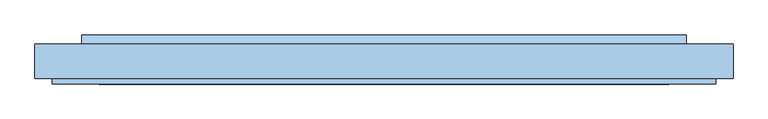
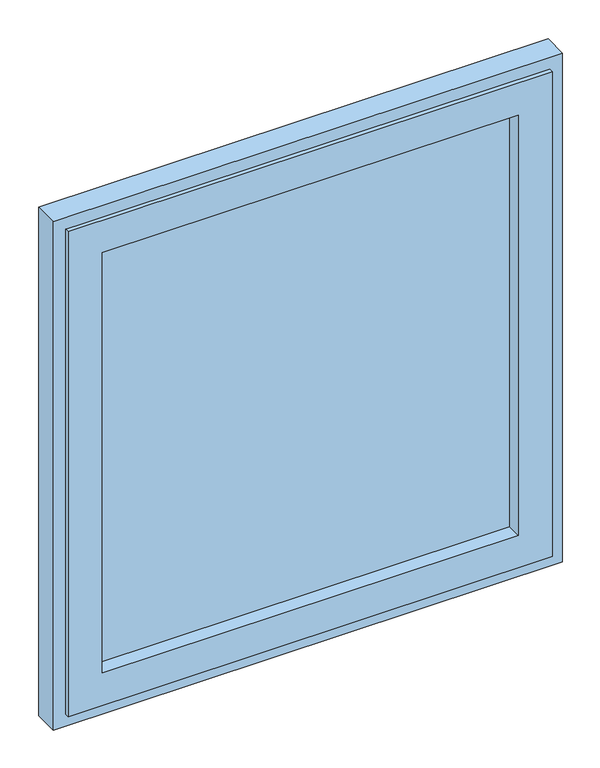
"""IFC4 building model written with IfcOpenShell, lengths in millimetres: window geometry."""

from ifc_helpers import new_model, si_unit, frame, origin, place, context, project, spatial, polyline, outline, extrude, faceted_brep, source, transform, mapped, element, save


def window_48fba5ec(model_context):
    return source(origin(), model_context, "Body", "SolidModel", [
        faceted_brep([(-522.9999998, -54.0, 27.0), (-522.9999998, -45.0, 27.0), (522.9999998, -45.0, 27.0), (522.9999998, -54.0, 27.0), (-491.9999998, 0.0, 58.0), (-491.9999998, 9.0, 58.0), (491.9999998, 9.0, 58.0), (491.9999998, 0.0, 58.0), (-448.9999998, 9.0, 101.0), (-448.9999998, -54.0, 101.0), (448.9999998, -54.0, 101.0), (448.9999998, 9.0, 101.0), (522.9999998, -45.0, 1135.5), (522.9999998, -54.0, 1135.5), (491.9999998, 9.0, 1104.5), (491.9999998, 0.0, 1104.5), (448.9999998, -54.0, 1061.5), (448.9999998, 9.0, 1061.5), (-522.9999998, -45.0, 1135.5), (-522.9999998, -54.0, 1135.5), (-491.9999998, 9.0, 1104.5), (-491.9999998, 0.0, 1104.5), (-448.9999998, -54.0, 1061.5), (-448.9999998, 9.0, 1061.5), (-497.9999998, 0.0, 52.0), (-497.9999998, 0.0, 1110.5), (497.9999998, 0.0, 1110.5), (497.9999998, 0.0, 52.0), (-497.9999998, -45.0, 52.0), (497.9999998, -45.0, 52.0), (497.9999998, -45.0, 1110.5), (-497.9999998, -45.0, 1110.5)], [[[0, 1, 2, 3]], [[4, 5, 6, 7]], [[8, 9, 10, 11]], [[3, 2, 12, 13]], [[7, 6, 14, 15]], [[11, 10, 16, 17]], [[13, 12, 18, 19]], [[15, 14, 20, 21]], [[17, 16, 22, 23]], [[19, 18, 1, 0]], [[5, 20, 14, 6], [11, 17, 23, 8]], [[21, 20, 5, 4]], [[24, 25, 26, 27], [7, 15, 21, 4]], [[23, 22, 9, 8]], [[3, 13, 19, 0], [9, 22, 16, 10]], [[28, 24, 27, 29]], [[29, 27, 26, 30]], [[30, 26, 25, 31]], [[1, 18, 12, 2], [29, 30, 31, 28]], [[31, 25, 24, 28]]]),
        extrude(outline(polyline([(448.9999998, -22.0), (-448.9999998, -22.0), (-448.9999998, 0.0), (448.9999998, 0.0), (448.9999998, -22.0)])), frame((0.0, 0.0, 101.0), z_axis=(0.0, 0.0, 1.0), x_axis=(1.0, 0.0, 0.0)), (0.0, 0.0, 1.0), 960.5),
        extrude(outline(polyline([(24.0, 58.0), (9.0, 58.0), (9.0, 70.5), (24.0, 63.0), (24.0, 58.0)])), frame((-475.9999998, 0.0, 0.0), z_axis=(1.0, 0.0, 0.0), x_axis=(0.0, 1.0, 0.0)), (0.0, 0.0, 1.0), 951.9999997),
        faceted_brep([(497.9999998, 0.0, 52.0), (497.9999998, 9.0, 52.0), (-497.9999998, 9.0, 52.0), (-497.9999998, 0.0, 52.0), (515.9999998, -45.0, 34.0), (515.9999998, 0.0, 34.0), (-515.9999998, 0.0, 34.0), (-515.9999998, -45.0, 34.0), (549.9999998, 9.0, 0.0), (549.9999998, -45.0, 0.0), (-549.9999998, -45.0, 0.0), (-549.9999998, 9.0, 0.0), (-497.9999998, 9.0, 1110.5), (-497.9999998, 0.0, 1110.5), (-515.9999998, 0.0, 1128.5), (-515.9999998, -45.0, 1128.5), (-549.9999998, -45.0, 1162.5), (-549.9999998, 9.0, 1162.5), (497.9999998, 9.0, 1110.5), (497.9999998, 0.0, 1110.5), (515.9999998, 0.0, 1128.5), (515.9999998, -45.0, 1128.5), (549.9999998, -45.0, 1162.5), (549.9999998, 9.0, 1162.5)], [[[0, 1, 2, 3]], [[4, 5, 6, 7]], [[8, 9, 10, 11]], [[3, 2, 12, 13]], [[7, 6, 14, 15]], [[11, 10, 16, 17]], [[13, 12, 18, 19]], [[15, 14, 20, 21]], [[17, 16, 22, 23]], [[19, 18, 1, 0]], [[5, 20, 14, 6], [3, 13, 19, 0]], [[21, 20, 5, 4]], [[9, 22, 16, 10], [7, 15, 21, 4]], [[23, 22, 9, 8]], [[11, 17, 23, 8], [1, 18, 12, 2]]]),
    ])


if __name__ == "__main__":
    model = new_model("IFC4")
    model_context = context("Model", 3, world=origin())
    ifc_project = project(units=[si_unit("LENGTHUNIT", "METRE", prefix="MILLI")], contexts=[model_context])
    site = spatial("IfcSite", under=ifc_project)
    building = spatial("IfcBuilding", under=site)
    placement = place(None, origin())
    window_shape = window_48fba5ec(model_context)
    element("IfcWindow", 1, at=placement, inside=building, context=model_context, shape_type="MappedRepresentation", body=[
        mapped(window_shape, transform((0.0, 0.0, 0.0), x_axis=(1.0, 0.0, 0.0), y_axis=(0.0, 1.0, 0.0), z_axis=(0.0, 0.0, 1.0))),
    ])
    save(model, "model.ifc")
